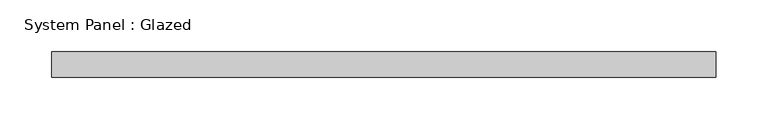
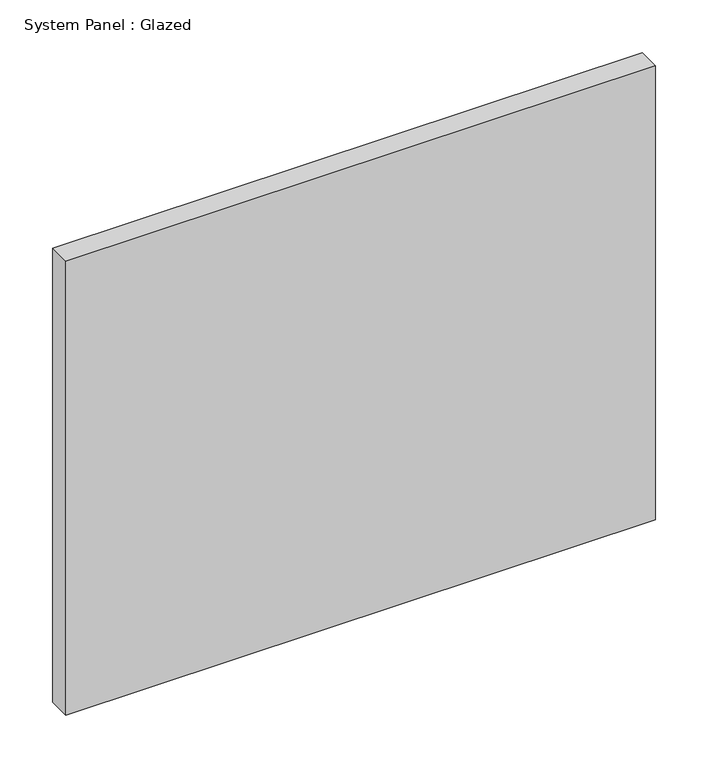
"""IFC4 building model written with IfcOpenShell, lengths in millimetres: plate geometry, System Panel : Glazed."""

from ifc_helpers import new_model, si_unit, origin, origin_with_axes, place, context, project, spatial, polyline, outline, extrude, source, transform, mapped, element, save


def system_panel_glazed_d59e1328(model_context):
    return source(origin(), model_context, "Body", "SweptSolid", [
        extrude(outline(polyline([(322.5, -49.5), (-322.5, -49.5), (-322.5, -24.5), (322.5, -24.5), (322.5, -49.5)])), origin_with_axes(), (0.0, 0.0, 1.0), 525.0),
    ])


if __name__ == "__main__":
    model = new_model("IFC4")
    model_context = context("Model", 3, world=origin())
    ifc_project = project(units=[si_unit("LENGTHUNIT", "METRE", prefix="MILLI")], contexts=[model_context])
    site = spatial("IfcSite", under=ifc_project)
    building = spatial("IfcBuilding", under=site)
    placement = place(None, origin())
    system_panel_glazed_shape = system_panel_glazed_d59e1328(model_context)
    element("IfcPlate", 1, ObjectType="System Panel : Glazed", at=placement, inside=building, context=model_context, shape_type="MappedRepresentation", body=[
        mapped(system_panel_glazed_shape, transform((0.0, 0.0, 0.0), x_axis=(1.0, 0.0, 0.0), y_axis=(0.0, 1.0, 0.0), z_axis=(0.0, 0.0, 1.0))),
    ])
    save(model, "model.ifc")
